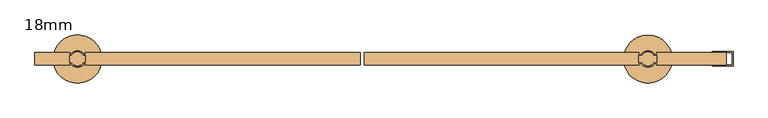
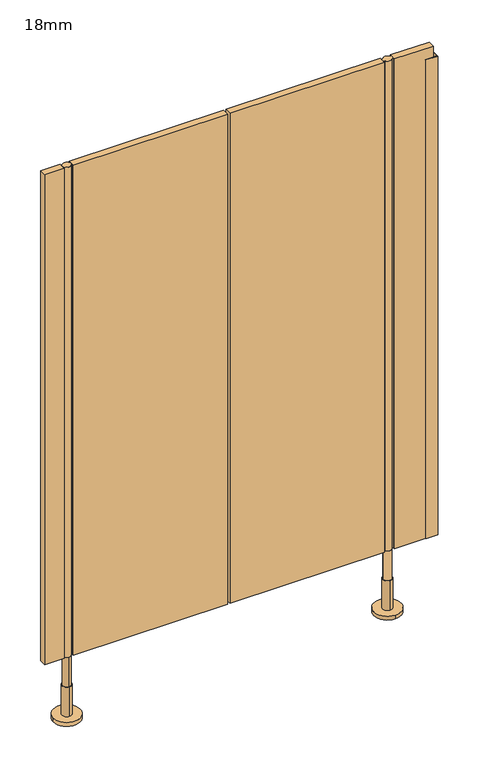
"""IFC4 building model written with IfcOpenShell, lengths in millimetres: door geometry, 18mm."""

from ifc_helpers import new_model, si_unit, point, frame, frame_2d, origin, place, context, project, spatial, polyline, circle_curve, trimmed, segment, composite_curve, outline, extrude, source, transform, mapped, element, save
from ifc_brep_helpers import plane_surface, cylinder_surface, advanced_brep


def door_18mm_91543e1e(model_context):
    return source(origin(), model_context, "Body", "SolidModel", [
        extrude(outline(composite_curve([segment(trimmed(circle_curve(frame_2d((-435.0, -1299.0)), 10.0), [point((-439.3588989, -1290.0))], [point((-430.6411011, -1290.0))], False, "CARTESIAN"), True, "CONTINUOUS"), segment(trimmed(circle_curve(frame_2d((-435.0, -1299.0)), 10.0), [point((-430.6411011, -1290.0))], [point((-426.3391323, -1294.0010631))], False, "CARTESIAN"), True, "CONTINUOUS"), segment(polyline([(-426.3391323, -1294.0010631), (-423.5, -1294.0010631), (-423.5, -1303.9989369), (-426.3391323, -1303.9989369)]), True, "CONTINUOUS"), segment(trimmed(circle_curve(frame_2d((-435.0, -1299.0)), 10.0), [point((-426.3391323, -1303.9989369))], [point((-443.6608677, -1303.9989369))], False, "CARTESIAN"), True, "CONTINUOUS"), segment(polyline([(-443.6608677, -1303.9989369), (-446.5, -1303.9989369), (-446.5, -1294.0010631), (-443.6608677, -1294.0010631)]), True, "CONTINUOUS"), segment(trimmed(circle_curve(frame_2d((-435.0, -1299.0)), 10.0), [point((-443.6608677, -1294.0010631))], [point((-439.3588989, -1290.0))], False, "CARTESIAN"), True, "CONTINUOUS")], self_intersect=False)), frame((0.0, 0.0, 170.0), z_axis=(0.0, 0.0, 1.0), x_axis=(1.0, 0.0, 0.0)), (0.0, 0.0, 1.0), 1330.0),
        extrude(outline(composite_curve([segment(trimmed(circle_curve(frame_2d((389.5, -1299.0)), 10.0), [point((398.1608677, -1303.9989369))], [point((380.8391323, -1303.9989369))], False, "CARTESIAN"), True, "CONTINUOUS"), segment(polyline([(380.8391323, -1303.9989369), (376.5, -1303.9989369), (376.5, -1294.0010631), (380.8391323, -1294.0010631)]), True, "CONTINUOUS"), segment(trimmed(circle_curve(frame_2d((389.5, -1299.0)), 10.0), [point((380.8391323, -1294.0010631))], [point((398.1608677, -1294.0010631))], False, "CARTESIAN"), True, "CONTINUOUS"), segment(polyline([(398.1608677, -1294.0010631), (402.5, -1294.0010631), (402.5, -1303.9989369), (398.1608677, -1303.9989369)]), True, "CONTINUOUS")], self_intersect=False)), frame((0.0, 0.0, 170.0), z_axis=(0.0, 0.0, 1.0), x_axis=(1.0, 0.0, 0.0)), (0.0, 0.0, 1.0), 1330.0),
        extrude(outline(polyline([(-20.4997797, -1290.0), (376.5, -1290.0), (376.5, -1308.0), (-20.4997797, -1308.0), (-20.4997797, -1290.0)])), frame((0.0, 0.0, 170.0), z_axis=(0.0, 0.0, 1.0), x_axis=(1.0, 0.0, 0.0)), (0.0, 0.0, 1.0), 1330.0),
        extrude(outline(polyline([(-26.5002203, -1308.0), (-423.5, -1308.0), (-423.5, -1290.0), (-26.5002203, -1290.0), (-26.5002203, -1308.0)])), frame((0.0, 0.0, 170.0), z_axis=(0.0, 0.0, 1.0), x_axis=(1.0, 0.0, 0.0)), (0.0, 0.0, 1.0), 1330.0),
        advanced_brep(
        [(399.5, -1299.0, 170.0), (379.5, -1299.0, 170.0), (379.5, -1299.0, 90.0), (399.5, -1299.0, 90.0), (389.5, -1287.0, 90.0), (389.5, -1311.0, 90.0), (389.5, -1287.0, 10.0), (389.5, -1311.0, 10.0), (389.5, -1264.0, 10.0), (389.5, -1334.0, 10.0), (389.5, -1264.0, 0.0), (389.5, -1334.0, 0.0)],
        [
            (0, 1, circle_curve(frame((389.5, -1299.0, 170.0), z_axis=(0.0, 0.0, 1.0), x_axis=(-1.0, 0.0, 0.0)), 10.0)),
            (1, 0, circle_curve(frame((389.5, -1299.0, 170.0), z_axis=(0.0, 0.0, 1.0), x_axis=(-1.0, 0.0, 0.0)), 10.0)),
            (1, 2),
            (2, 3, circle_curve(frame((389.5, -1299.0, 90.0), z_axis=(0.0, 0.0, 1.0), x_axis=(-1.0, 0.0, 0.0)), 10.0)),
            (3, 0),
            (3, 2, circle_curve(frame((389.5, -1299.0, 90.0), z_axis=(0.0, 0.0, 1.0), x_axis=(-1.0, 0.0, 0.0)), 10.0)),
            (4, 5, circle_curve(frame((389.5, -1299.0, 90.0), z_axis=(0.0, 0.0, 1.0), x_axis=(0.0, -1.0, 0.0)), 12.0)),
            (5, 4, circle_curve(frame((389.5, -1299.0, 90.0), z_axis=(0.0, 0.0, 1.0), x_axis=(0.0, -1.0, 0.0)), 12.0)),
            (4, 6),
            (6, 7, circle_curve(frame((389.5, -1299.0, 10.0), z_axis=(0.0, 0.0, 1.0), x_axis=(0.0, -1.0, 0.0)), 12.0)),
            (7, 5),
            (7, 6, circle_curve(frame((389.5, -1299.0, 10.0), z_axis=(0.0, 0.0, 1.0), x_axis=(0.0, -1.0, 0.0)), 12.0)),
            (8, 9, circle_curve(frame((389.5, -1299.0, 10.0), z_axis=(0.0, 0.0, 1.0), x_axis=(0.0, -1.0, 0.0)), 35.0)),
            (9, 8, circle_curve(frame((389.5, -1299.0, 10.0), z_axis=(0.0, 0.0, 1.0), x_axis=(0.0, -1.0, 0.0)), 35.0)),
            (10, 11, circle_curve(frame((389.5, -1299.0, 0.0), z_axis=(0.0, 0.0, -1.0), x_axis=(0.0, -1.0, 0.0)), 35.0)),
            (11, 10, circle_curve(frame((389.5, -1299.0, 0.0), z_axis=(0.0, 0.0, -1.0), x_axis=(0.0, -1.0, 0.0)), 35.0)),
            (8, 10),
            (11, 9),
        ],
        [
            plane_surface(frame((389.5, -1290.0, 170.0), z_axis=(0.0, 0.0, 1.0), x_axis=(0.0, -1.0, 0.0))),
            cylinder_surface(frame((389.5, -1299.0, 90.0), z_axis=(0.0, 0.0, -1.0), x_axis=(-1.0, 0.0, 0.0)), 10.0),
            plane_surface(frame((389.5, -1290.0, 90.0), z_axis=(0.0, 0.0, 1.0), x_axis=(0.0, -1.0, 0.0))),
            cylinder_surface(frame((389.5, -1299.0, 90.0), z_axis=(0.0, 0.0, 1.0), x_axis=(0.0, -1.0, 0.0)), 12.0),
            plane_surface(frame((389.5, -1290.0, 10.0), z_axis=(0.0, 0.0, 1.0), x_axis=(0.0, -1.0, 0.0))),
            plane_surface(frame((389.5, -1290.0, 0.0), z_axis=(0.0, 0.0, -1.0), x_axis=(0.0, -1.0, 0.0))),
            cylinder_surface(frame((389.5, -1299.0, 10.0), z_axis=(0.0, 0.0, 1.0), x_axis=(0.0, -1.0, 0.0)), 35.0),
        ],
        [
            (0, [[1, 2]]),
            (1, [[-2, 3, 4, 5]]),
            (1, [[-1, -5, 6, -3]]),
            (2, [[7, 8], [-4, -6]]),
            (3, [[-7, 9, 10, 11]]),
            (3, [[-8, -11, 12, -9]]),
            (4, [[13, 14], [-10, -12]]),
            (5, [[15, 16]]),
            (6, [[-13, 17, -16, 18]]),
            (6, [[-14, -18, -15, -17]]),
        ],
    ),
        advanced_brep(
        [(-435.0, -1309.0, 170.0), (-435.0, -1289.0, 170.0), (-435.0, -1289.0, 90.0), (-435.0, -1309.0, 90.0), (-435.0, -1287.0, 90.0), (-435.0, -1311.0, 90.0), (-435.0, -1287.0, 10.0), (-435.0, -1311.0, 10.0), (-400.0, -1299.0, 0.0), (-470.0, -1299.0, 0.0), (-400.0, -1299.0, 10.0), (-470.0, -1299.0, 10.0)],
        [
            (0, 1, circle_curve(frame((-435.0, -1299.0, 170.0), z_axis=(0.0, 0.0, -1.0), x_axis=(0.0, -1.0, 0.0)), 10.0)),
            (1, 2),
            (2, 3, circle_curve(frame((-435.0, -1299.0, 90.0), z_axis=(0.0, 0.0, 1.0), x_axis=(0.0, -1.0, 0.0)), 10.0)),
            (3, 0),
            (1, 0, circle_curve(frame((-435.0, -1299.0, 170.0), z_axis=(0.0, 0.0, -1.0), x_axis=(0.0, -1.0, 0.0)), 10.0)),
            (3, 2, circle_curve(frame((-435.0, -1299.0, 90.0), z_axis=(0.0, 0.0, 1.0), x_axis=(0.0, -1.0, 0.0)), 10.0)),
            (4, 5, circle_curve(frame((-435.0, -1299.0, 90.0), z_axis=(0.0, 0.0, 1.0), x_axis=(0.0, -1.0, 0.0)), 12.0)),
            (5, 4, circle_curve(frame((-435.0, -1299.0, 90.0), z_axis=(0.0, 0.0, 1.0), x_axis=(0.0, -1.0, 0.0)), 12.0)),
            (4, 6),
            (6, 7, circle_curve(frame((-435.0, -1299.0, 10.0), z_axis=(0.0, 0.0, 1.0), x_axis=(0.0, -1.0, 0.0)), 12.0)),
            (7, 5),
            (7, 6, circle_curve(frame((-435.0, -1299.0, 10.0), z_axis=(0.0, 0.0, 1.0), x_axis=(0.0, -1.0, 0.0)), 12.0)),
            (8, 9, circle_curve(frame((-435.0, -1299.0, 0.0), z_axis=(0.0, 0.0, -1.0), x_axis=(-1.0, 0.0, 0.0)), 35.0)),
            (9, 8, circle_curve(frame((-435.0, -1299.0, 0.0), z_axis=(0.0, 0.0, -1.0), x_axis=(-1.0, 0.0, 0.0)), 35.0)),
            (10, 11, circle_curve(frame((-435.0, -1299.0, 10.0), z_axis=(0.0, 0.0, 1.0), x_axis=(-1.0, 0.0, 0.0)), 35.0)),
            (11, 10, circle_curve(frame((-435.0, -1299.0, 10.0), z_axis=(0.0, 0.0, 1.0), x_axis=(-1.0, 0.0, 0.0)), 35.0)),
            (8, 10),
            (11, 9),
        ],
        [
            cylinder_surface(frame((-435.0, -1299.0, 170.0), z_axis=(0.0, 0.0, 1.0), x_axis=(0.0, -1.0, 0.0)), 10.0),
            plane_surface(frame((-435.0, -1290.0, 90.0), z_axis=(0.0, 0.0, 1.0), x_axis=(0.0, -1.0, 0.0))),
            cylinder_surface(frame((-435.0, -1299.0, 90.0), z_axis=(0.0, 0.0, 1.0), x_axis=(0.0, -1.0, 0.0)), 12.0),
            plane_surface(frame((-435.0, -1290.0, 0.0), z_axis=(0.0, 0.0, -1.0), x_axis=(0.0, -1.0, 0.0))),
            plane_surface(frame((-435.0, -1290.0, 10.0), z_axis=(0.0, 0.0, 1.0), x_axis=(0.0, -1.0, 0.0))),
            cylinder_surface(frame((-435.0, -1299.0, 0.0), z_axis=(0.0, 0.0, -1.0), x_axis=(-1.0, 0.0, 0.0)), 35.0),
            plane_surface(frame((-435.0, -1290.0, 170.0), z_axis=(0.0, 0.0, 1.0), x_axis=(0.0, -1.0, 0.0))),
        ],
        [
            (0, [[1, 2, 3, 4]]),
            (0, [[5, -4, 6, -2]]),
            (1, [[7, 8], [-3, -6]]),
            (2, [[-7, 9, 10, 11]]),
            (2, [[-8, -11, 12, -9]]),
            (3, [[13, 14]]),
            (4, [[15, 16], [-10, -12]]),
            (5, [[-13, 17, -16, 18]]),
            (5, [[-14, -18, -15, -17]]),
            (6, [[-1, -5]]),
        ],
    ),
        extrude(outline(polyline([(512.5, -1309.5), (482.5, -1309.5), (482.5, -1308.0), (511.0, -1308.0), (511.0, -1290.0), (482.5, -1290.0), (482.5, -1288.5), (512.5, -1288.5), (512.5, -1309.5)])), frame((0.0, 0.0, 170.0), z_axis=(0.0, 0.0, 1.0), x_axis=(1.0, 0.0, 0.0)), (0.0, 0.0, 1.0), 1300.0),
        extrude(outline(polyline([(402.5, -1290.0), (502.5, -1290.0), (502.5, -1308.0), (402.5, -1308.0), (402.5, -1290.0)])), frame((0.0, 0.0, 170.0), z_axis=(0.0, 0.0, 1.0), x_axis=(1.0, 0.0, 0.0)), (0.0, 0.0, 1.0), 1330.0),
        extrude(outline(polyline([(-446.5, -1290.0), (-446.5, -1308.0), (-496.5, -1308.0), (-496.5, -1290.0), (-446.5, -1290.0)])), frame((0.0, 0.0, 170.0), z_axis=(0.0, 0.0, 1.0), x_axis=(1.0, 0.0, 0.0)), (0.0, 0.0, 1.0), 1330.0),
    ])


if __name__ == "__main__":
    model = new_model("IFC4")
    model_context = context("Model", 3, world=origin())
    ifc_project = project(units=[si_unit("LENGTHUNIT", "METRE", prefix="MILLI")], contexts=[model_context])
    site = spatial("IfcSite", under=ifc_project)
    building = spatial("IfcBuilding", under=site)
    placement = place(None, origin())
    door_18mm_shape = door_18mm_91543e1e(model_context)
    element("IfcDoor", 1, ObjectType="18mm", at=placement, inside=building, context=model_context, shape_type="MappedRepresentation", body=[
        mapped(door_18mm_shape, transform((0.0, 0.0, 0.0), x_axis=(1.0, 0.0, 0.0), y_axis=(0.0, 1.0, 0.0), z_axis=(0.0, 0.0, 1.0))),
    ])
    save(model, "model.ifc")
